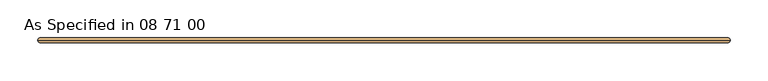
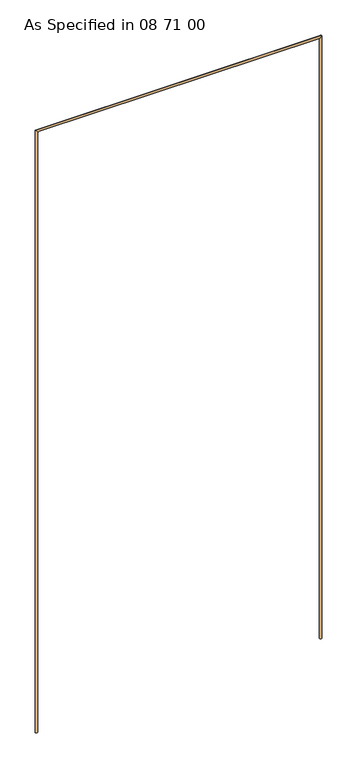
"""IFC4 building model written with IfcOpenShell, lengths in millimetres: door geometry, As Specified in 08 71 00."""

from ifc_helpers import new_model, si_unit, frame, origin, place, context, project, spatial, circle_curve, ellipse_curve, source, transform, mapped, element, save
from ifc_brep_helpers import plane_surface, cylinder_surface, advanced_brep


def as_specified_in_08_71_00_613a4320(model_context):
    return source(origin(), model_context, "Body", "AdvancedBrep", [
        advanced_brep(
        [(21031.0892185, 10841.3858114, 0.0), (21037.4392185, 10841.3858114, 0.0), (21031.0892185, 10841.3858114, 2032.0), (21037.4392185, 10841.3858114, 2025.65), (21945.4892185, 10841.3858114, 0.0), (21939.1392185, 10841.3858114, 0.0), (21945.4892185, 10841.3858114, 2032.0), (21939.1392185, 10841.3858114, 2025.65)],
        [
            (0, 1, circle_curve(frame((21034.2642185, 10841.3858114, 0.0), z_axis=(0.0, 0.0, -1.0), x_axis=(1.0, 0.0, 0.0)), 3.175)),
            (1, 0, circle_curve(frame((21034.2642185, 10841.3858114, 0.0), z_axis=(0.0, 0.0, -1.0), x_axis=(1.0, 0.0, 0.0)), 3.175)),
            (0, 2),
            (2, 3, ellipse_curve(frame((21034.2642185, 10841.3858114, 2028.825), z_axis=(-0.7071067811865475, 0.0, -0.7071067811865475), x_axis=(0.7071067811865474, 0.0, -0.7071067811865476)), 4.4901281, 3.175)),
            (3, 1),
            (3, 2, ellipse_curve(frame((21034.2642185, 10841.3858114, 2028.825), z_axis=(-0.7071067811865475, 0.0, -0.7071067811865475), x_axis=(0.7071067811865474, 0.0, -0.7071067811865476)), 4.4901281, 3.175)),
            (4, 5, circle_curve(frame((21942.3142185, 10841.3858114, 0.0), z_axis=(0.0, 0.0, -1.0), x_axis=(-1.0, 0.0, 0.0)), 3.175)),
            (5, 4, circle_curve(frame((21942.3142185, 10841.3858114, 0.0), z_axis=(0.0, 0.0, -1.0), x_axis=(-1.0, 0.0, 0.0)), 3.175)),
            (6, 7, ellipse_curve(frame((21942.3142185, 10841.3858114, 2028.825), z_axis=(0.7071067811865475, 0.0, -0.7071067811865475), x_axis=(0.7071067811865474, 0.0, 0.7071067811865476)), 4.4901281, 3.175)),
            (7, 5),
            (4, 6),
            (7, 6, ellipse_curve(frame((21942.3142185, 10841.3858114, 2028.825), z_axis=(0.7071067811865475, 0.0, -0.7071067811865475), x_axis=(0.7071067811865474, 0.0, 0.7071067811865476)), 4.4901281, 3.175)),
            (2, 6),
            (7, 3),
        ],
        [
            plane_surface(frame((21031.0892185, 10844.5608114, 0.0), z_axis=(0.0, 0.0, -1.0), x_axis=(0.0, 1.0, 0.0))),
            cylinder_surface(frame((21034.2642185, 10841.3858114, 0.0), z_axis=(0.0, 0.0, -1.0), x_axis=(1.0, 0.0, 0.0)), 3.175),
            plane_surface(frame((21945.4892185, 10844.5608114, 0.0), z_axis=(0.0, 0.0, -1.0), x_axis=(0.0, 1.0, 0.0))),
            cylinder_surface(frame((21942.3142185, 10841.3858114, 2032.0), z_axis=(0.0, 0.0, 1.0), x_axis=(-1.0, 0.0, 0.0)), 3.175),
            cylinder_surface(frame((21031.0892185, 10841.3858114, 2028.825), z_axis=(-1.0, 0.0, 0.0), x_axis=(0.0, 0.0, -1.0)), 3.175),
        ],
        [
            (0, [[1, 2]]),
            (1, [[-1, 3, 4, 5]]),
            (1, [[-2, -5, 6, -3]]),
            (2, [[7, 8]]),
            (3, [[9, 10, -7, 11]]),
            (3, [[12, -11, -8, -10]]),
            (4, [[-4, 13, -12, 14]]),
            (4, [[-6, -14, -9, -13]]),
        ],
    ),
    ])


if __name__ == "__main__":
    model = new_model("IFC4")
    model_context = context("Model", 3, world=origin())
    ifc_project = project(units=[si_unit("LENGTHUNIT", "METRE", prefix="MILLI")], contexts=[model_context])
    site = spatial("IfcSite", under=ifc_project)
    building = spatial("IfcBuilding", under=site)
    placement = place(None, origin())
    as_specified_in_08_71_00_shape = as_specified_in_08_71_00_613a4320(model_context)
    element("IfcDoor", 1, ObjectType="As Specified in 08 71 00", at=placement, inside=building, context=model_context, shape_type="MappedRepresentation", body=[
        mapped(as_specified_in_08_71_00_shape, transform((0.0, 0.0, 0.0), x_axis=(1.0, 0.0, 0.0), y_axis=(0.0, 1.0, 0.0), z_axis=(0.0, 0.0, 1.0))),
    ])
    save(model, "model.ifc")
